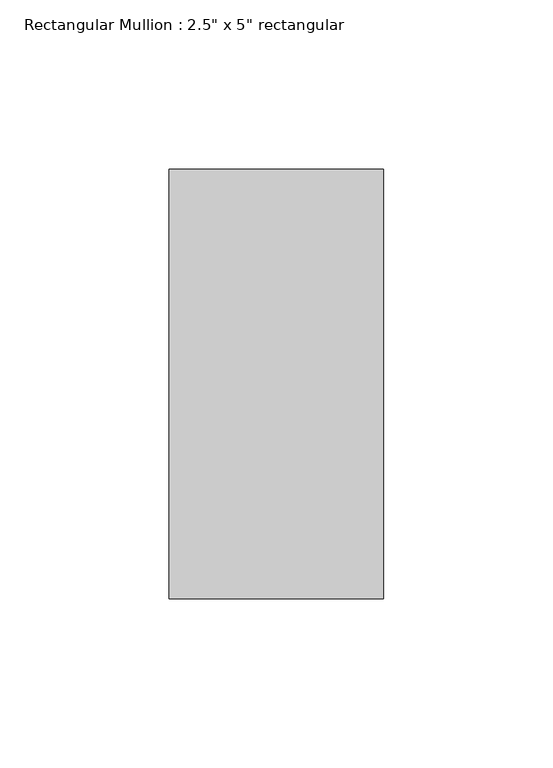
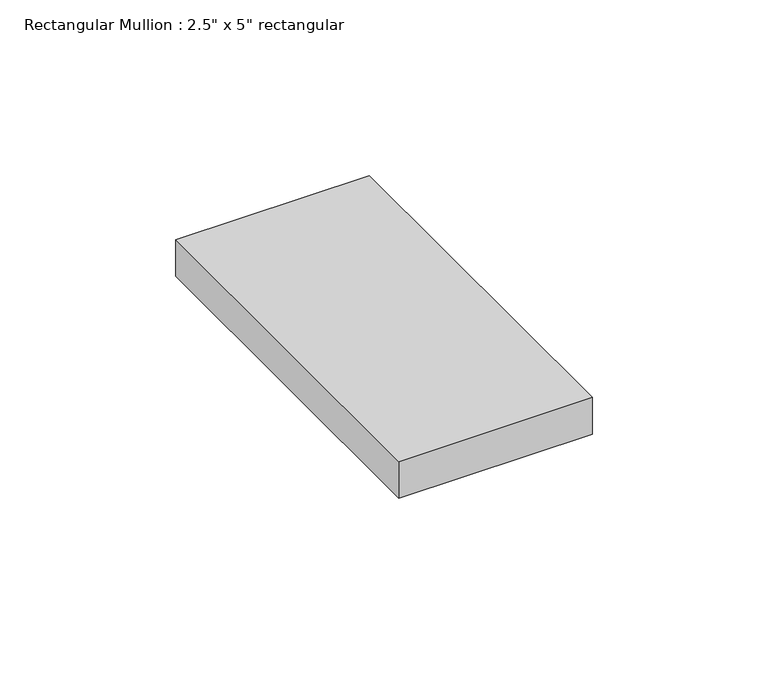
"""IFC4 building model written with IfcOpenShell, lengths in millimetres: member geometry."""

from ifc_helpers import new_model, si_unit, frame, origin, place, context, project, spatial, polyline, outline, extrude, source, transform, mapped, element, save


def member_059b3ccf(model_context):
    return source(origin(), model_context, "Body", "SweptSolid", [
        extrude(outline(polyline([(31.75, 63.5), (31.75, -63.5), (-31.75, -63.5), (-31.75, 63.5), (31.75, 63.5)])), frame((0.0, 0.0, -12.7), z_axis=(0.0, 0.0, 1.0), x_axis=(1.0, 0.0, 0.0)), (0.0, 0.0, 1.0), 12.7),
    ])


if __name__ == "__main__":
    model = new_model("IFC4")
    model_context = context("Model", 3, world=origin())
    ifc_project = project(units=[si_unit("LENGTHUNIT", "METRE", prefix="MILLI")], contexts=[model_context])
    site = spatial("IfcSite", under=ifc_project)
    building = spatial("IfcBuilding", under=site)
    placement = place(None, origin())
    member_shape = member_059b3ccf(model_context)
    element("IfcMember", 1, ObjectType="Rectangular Mullion : 2.5\" x 5\" rectangular", at=placement, inside=building, context=model_context, shape_type="MappedRepresentation", body=[
        mapped(member_shape, transform((0.0, 0.0, 0.0), x_axis=(1.0, 0.0, 0.0), y_axis=(0.0, 1.0, 0.0), z_axis=(0.0, 0.0, 1.0))),
    ])
    save(model, "model.ifc")
